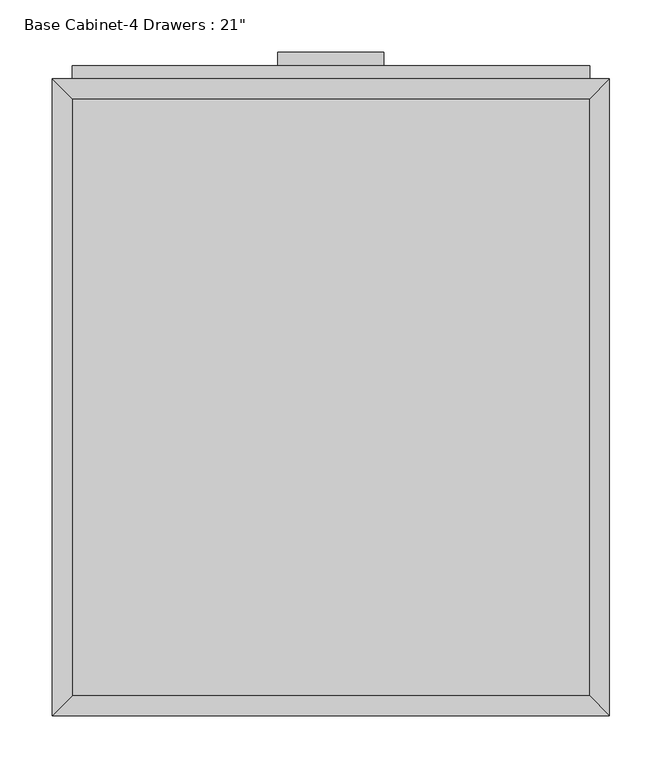
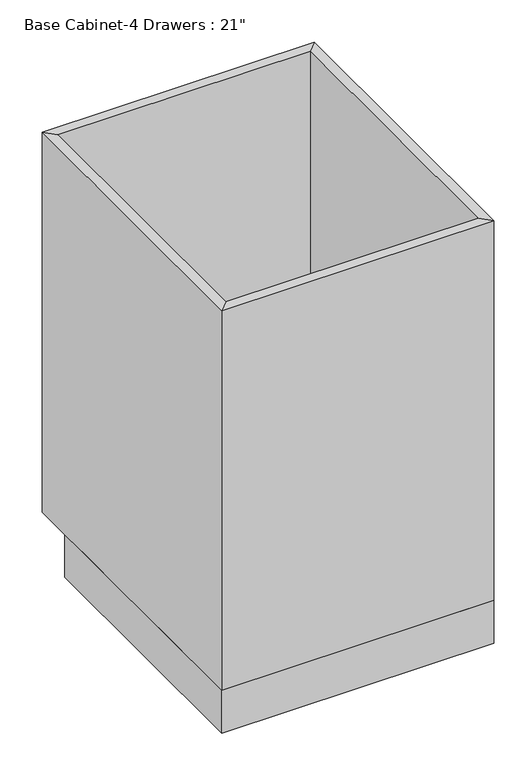
"""IFC4 building model written with IfcOpenShell, lengths in millimetres: furniture geometry."""

from ifc_helpers import new_model, si_unit, frame, origin, origin_with_axes, place, context, project, spatial, polyline, outline, extrude, faceted_brep, source, transform, mapped, element, save


def furniture_26859776(model_context):
    return source(origin(), model_context, "Body", "SolidModel", [
        extrude(outline(polyline([(69.5377049, 635.0), (69.5377049, 622.3), (-32.0622951, 622.3), (-32.0622951, 635.0), (69.5377049, 635.0)])), frame((0.0, 0.0, 819.15), z_axis=(0.0, 0.0, 1.0), x_axis=(1.0, 0.0, 0.0)), (0.0, 0.0, 1.0), 12.7),
        extrude(outline(polyline([(69.5377049, 635.0), (69.5377049, 622.3), (-32.0622951, 622.3), (-32.0622951, 635.0), (69.5377049, 635.0)])), frame((0.0, 0.0, 698.5), z_axis=(0.0, 0.0, 1.0), x_axis=(1.0, 0.0, 0.0)), (0.0, 0.0, 1.0), 12.7),
        extrude(outline(polyline([(69.5377049, 635.0), (69.5377049, 622.3), (-32.0622951, 622.3), (-32.0622951, 635.0), (69.5377049, 635.0)])), frame((0.0, 0.0, 546.1), z_axis=(0.0, 0.0, 1.0), x_axis=(1.0, 0.0, 0.0)), (0.0, 0.0, 1.0), 12.7),
        extrude(outline(polyline([(69.5377049, 635.0), (69.5377049, 622.3), (-32.0622951, 622.3), (-32.0622951, 635.0), (69.5377049, 635.0)])), frame((0.0, 0.0, 393.7), z_axis=(0.0, 0.0, 1.0), x_axis=(1.0, 0.0, 0.0)), (0.0, 0.0, 1.0), 12.7),
        extrude(outline(polyline([(266.3877049, 622.3), (266.3877049, 609.6), (-228.9122951, 609.6), (-228.9122951, 622.3), (266.3877049, 622.3)])), frame((0.0, 0.0, 749.3), z_axis=(0.0, 0.0, 1.0), x_axis=(1.0, 0.0, 0.0)), (0.0, 0.0, 1.0), 107.95),
        extrude(outline(polyline([(266.3877049, 622.3), (266.3877049, 609.6), (-228.9122951, 609.6), (-228.9122951, 622.3), (266.3877049, 622.3)])), frame((0.0, 0.0, 596.9), z_axis=(0.0, 0.0, 1.0), x_axis=(1.0, 0.0, 0.0)), (0.0, 0.0, 1.0), 139.7),
        extrude(outline(polyline([(266.3877049, 622.3), (266.3877049, 609.6), (-228.9122951, 609.6), (-228.9122951, 622.3), (266.3877049, 622.3)])), frame((0.0, 0.0, 444.5), z_axis=(0.0, 0.0, 1.0), x_axis=(1.0, 0.0, 0.0)), (0.0, 0.0, 1.0), 139.7),
        extrude(outline(polyline([(266.3877049, 622.3), (266.3877049, 609.6), (-228.9122951, 609.6), (-228.9122951, 622.3), (266.3877049, 622.3)])), frame((0.0, 0.0, 120.65), z_axis=(0.0, 0.0, 1.0), x_axis=(1.0, 0.0, 0.0)), (0.0, 0.0, 1.0), 311.15),
        extrude(outline(polyline([(266.3877049, 19.05), (-228.9122951, 19.05), (-228.9122951, 590.55), (266.3877049, 590.55), (266.3877049, 19.05)])), frame((0.0, 0.0, 88.9), z_axis=(0.0, 0.0, 1.0), x_axis=(1.0, 0.0, 0.0)), (0.0, 0.0, 1.0), 19.05),
        faceted_brep([(266.3877049, 590.55, 876.3), (-228.9122951, 590.55, 876.3), (-228.9122951, 590.55, 88.9), (266.3877049, 590.55, 88.9), (285.4377049, 609.6, 876.3), (-247.9622951, 609.6, 876.3), (285.4377049, 609.6, 88.9), (-247.9622951, 609.6, 88.9), (-228.9122951, 19.05, 876.3), (-228.9122951, 19.05, 88.9), (-247.9622951, 0.0, 876.3), (-247.9622951, 0.0, 88.9), (266.3877049, 19.05, 876.3), (266.3877049, 19.05, 88.9), (285.4377049, 0.0, 876.3), (285.4377049, 0.0, 88.9)], [[[0, 1, 2, 3]], [[4, 5, 1, 0]], [[6, 7, 5, 4]], [[3, 2, 7, 6]], [[1, 8, 9, 2]], [[5, 10, 8, 1]], [[7, 11, 10, 5]], [[2, 9, 11, 7]], [[8, 12, 13, 9]], [[10, 14, 12, 8]], [[11, 15, 14, 10]], [[9, 13, 15, 11]], [[12, 0, 3, 13]], [[14, 4, 0, 12]], [[15, 6, 4, 14]], [[13, 3, 6, 15]]]),
        extrude(outline(polyline([(285.4377049, 0.0), (-247.9622951, 0.0), (-247.9622951, 533.4), (285.4377049, 533.4), (285.4377049, 0.0)])), origin_with_axes(), (0.0, 0.0, 1.0), 88.9),
    ])


if __name__ == "__main__":
    model = new_model("IFC4")
    model_context = context("Model", 3, world=origin())
    ifc_project = project(units=[si_unit("LENGTHUNIT", "METRE", prefix="MILLI")], contexts=[model_context])
    site = spatial("IfcSite", under=ifc_project)
    building = spatial("IfcBuilding", under=site)
    placement = place(None, origin())
    furniture_shape = furniture_26859776(model_context)
    element("IfcFurniture", 1, ObjectType="Base Cabinet-4 Drawers : 21\"", at=placement, inside=building, context=model_context, shape_type="MappedRepresentation", body=[
        mapped(furniture_shape, transform((0.0, 0.0, 0.0), x_axis=(1.0, 0.0, 0.0), y_axis=(0.0, 1.0, 0.0), z_axis=(0.0, 0.0, 1.0))),
    ])
    save(model, "model.ifc")
